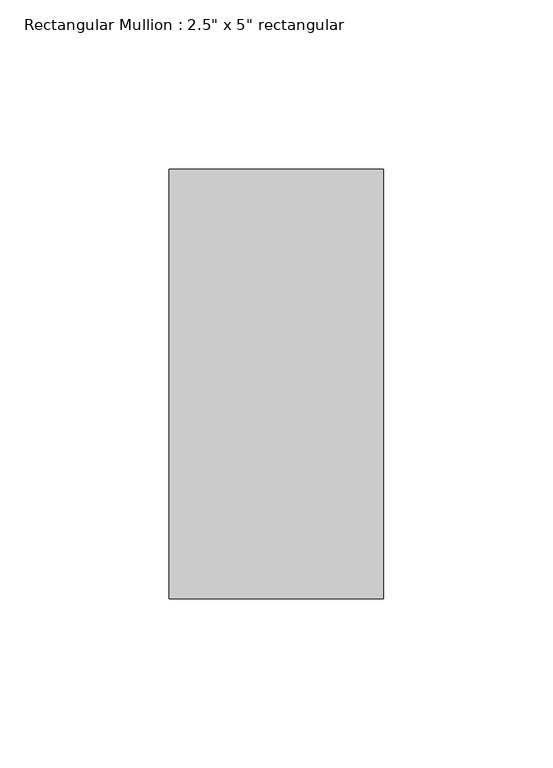
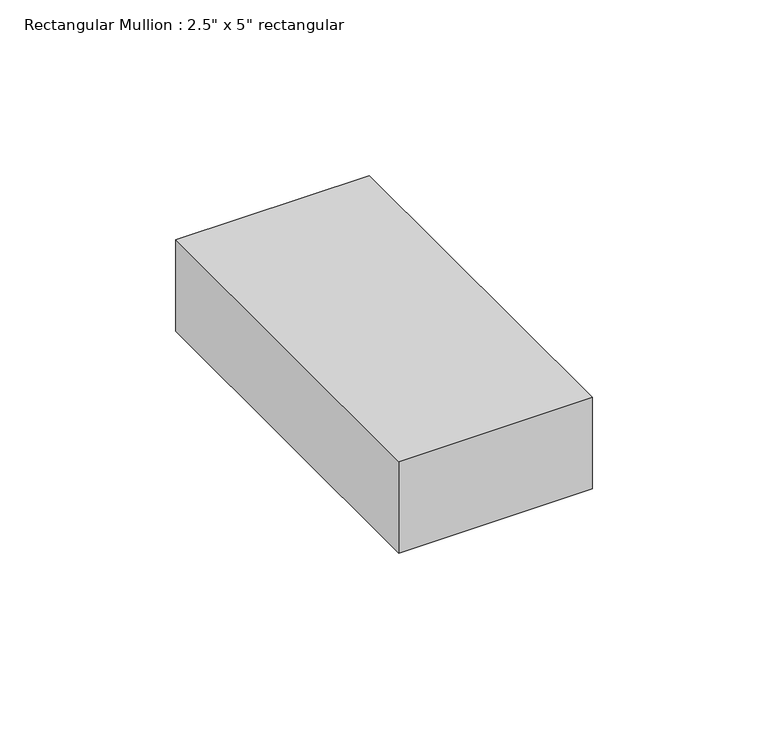
"""IFC4 building model written with IfcOpenShell, lengths in millimetres: member geometry."""

from ifc_helpers import new_model, si_unit, frame, origin, place, context, project, spatial, polyline, outline, extrude, source, transform, mapped, element, save


def member_6af8ac9a(model_context):
    return source(origin(), model_context, "Body", "SweptSolid", [
        extrude(outline(polyline([(0.0, 63.5), (0.0, -63.5), (-63.5, -63.5), (-63.5, 63.5), (0.0, 63.5)])), frame((0.0, 0.0, -31.7779618), z_axis=(0.0, 0.0, 1.0), x_axis=(1.0, 0.0, 0.0)), (0.0, 0.0, 1.0), 31.7779618),
    ])


if __name__ == "__main__":
    model = new_model("IFC4")
    model_context = context("Model", 3, world=origin())
    ifc_project = project(units=[si_unit("LENGTHUNIT", "METRE", prefix="MILLI")], contexts=[model_context])
    site = spatial("IfcSite", under=ifc_project)
    building = spatial("IfcBuilding", under=site)
    placement = place(None, origin())
    member_shape = member_6af8ac9a(model_context)
    element("IfcMember", 1, ObjectType="Rectangular Mullion : 2.5\" x 5\" rectangular", at=placement, inside=building, context=model_context, shape_type="MappedRepresentation", body=[
        mapped(member_shape, transform((0.0, 0.0, 0.0), x_axis=(1.0, 0.0, 0.0), y_axis=(0.0, 1.0, 0.0), z_axis=(0.0, 0.0, 1.0))),
    ])
    save(model, "model.ifc")
